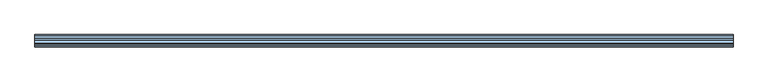
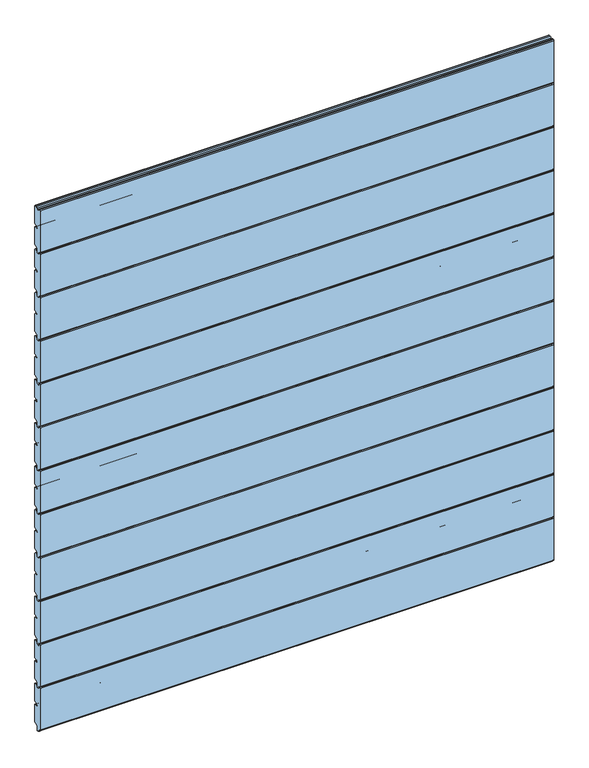
"""IFC4 building model written with IfcOpenShell, lengths in millimetres: window geometry."""

from ifc_helpers import new_model, si_unit, point, frame, frame_2d, origin, place, context, project, spatial, polyline, circle_curve, trimmed, segment, composite_curve, outline, extrude, source, transform, mapped, element, save


def window_c30f627f(model_context):
    return source(origin(), model_context, "Body", "SweptSolid", [
        extrude(outline(composite_curve([segment(trimmed(circle_curve(frame_2d((126.0069561, 2041.0059188)), 2.0068504), [point((124.0001057, 2041.0059188))], [point((126.0069561, 2043.0127692))], False, "CARTESIAN"), True, "CONTINUOUS"), segment(polyline([(126.0069561, 2043.0127692), (129.0001057, 2043.0127692)]), True, "CONTINUOUS"), segment(trimmed(circle_curve(frame_2d((129.0001057, 2041.0127692)), 2.0), [point((129.0001057, 2043.0127692))], [point((131.0001057, 2041.0127692))], False, "CARTESIAN"), True, "CONTINUOUS"), segment(polyline([(131.0001057, 2041.0127692), (131.0001057, 2035.0127692), (139.0001057, 2035.0127692), (139.0001057, 2040.0970543)]), True, "CONTINUOUS"), segment(trimmed(circle_curve(frame_2d((142.0089139, 2040.0024748)), 3.0102944), [point((139.0001057, 2040.0970543))], [point((142.0089139, 2043.0127692))], False, "CARTESIAN"), True, "CONTINUOUS"), segment(polyline([(142.0089139, 2043.0127692), (146.9999996, 2043.0127692)]), True, "CONTINUOUS"), segment(trimmed(circle_curve(frame_2d((146.9999996, 2040.0127692)), 3.0), [point((146.9999996, 2043.0127692))], [point((149.9999996, 2040.0127692))], False, "CARTESIAN"), True, "CONTINUOUS"), segment(polyline([(149.9999996, 2040.0127692), (149.9999996, 1988.3066796)]), True, "CONTINUOUS"), segment(trimmed(circle_curve(frame_2d((146.9999996, 1988.3066796)), 3.0), [point((149.9999996, 1988.3066796))], [point((147.8555837, 1985.4312708))], False, "CARTESIAN"), True, "CONTINUOUS"), segment(polyline([(147.8555837, 1985.4312708), (139.9239208, 1983.3276824)]), True, "CONTINUOUS"), segment(trimmed(circle_curve(frame_2d((140.5001156, 1981.4124802)), 2.0), [point((139.9239208, 1983.3276824))], [point((138.5001156, 1981.4124802))], True, "CARTESIAN"), True, "CONTINUOUS"), segment(polyline([(138.5001156, 1981.4124802), (138.5001158, 1980.0)]), True, "CONTINUOUS"), segment(trimmed(circle_curve(frame_2d((140.5001158, 1980.0)), 2.0), [point((138.5001158, 1980.0))], [point((140.5001158, 1978.0))], True, "CARTESIAN"), True, "CONTINUOUS"), segment(polyline([(140.5001158, 1978.0), (146.968241, 1978.0)]), True, "CONTINUOUS"), segment(trimmed(circle_curve(frame_2d((147.0018221, 1975.000188)), 3.0), [point((146.968241, 1978.0))], [point((150.0, 1975.1047318))], False, "CARTESIAN"), True, "CONTINUOUS"), segment(polyline([(150.0, 1975.1047318), (150.0, 1923.2676097)]), True, "CONTINUOUS"), segment(trimmed(circle_curve(frame_2d((147.0, 1923.2676097)), 3.0), [point((150.0, 1923.2676097))], [point((148.1977807, 1920.5170968))], False, "CARTESIAN"), True, "CONTINUOUS"), segment(polyline([(148.1977807, 1920.5170968), (140.4824676, 1918.4497849)]), True, "CONTINUOUS"), segment(trimmed(circle_curve(frame_2d((141.0001057, 1916.5179332)), 2.0), [point((140.4824676, 1918.4497849))], [point((139.0001057, 1916.5179332))], True, "CARTESIAN"), True, "CONTINUOUS"), segment(polyline([(139.0001057, 1916.5179332), (139.0001057, 1905.0127692)]), True, "CONTINUOUS"), segment(trimmed(circle_curve(frame_2d((137.0001057, 1905.0127692)), 2.0), [point((139.0001057, 1905.0127692))], [point((137.0001057, 1903.0127692))], False, "CARTESIAN"), True, "CONTINUOUS"), segment(polyline([(137.0001057, 1903.0127692), (133.0001057, 1903.0127692)]), True, "CONTINUOUS"), segment(trimmed(circle_curve(frame_2d((133.0001057, 1905.0127692)), 2.0), [point((133.0001057, 1903.0127692))], [point((131.0001057, 1905.0127692))], False, "CARTESIAN"), True, "CONTINUOUS"), segment(polyline([(131.0001057, 1905.0127692), (131.0001057, 1910.0), (126.0001057, 1910.0)]), True, "CONTINUOUS"), segment(trimmed(circle_curve(frame_2d((126.0001057, 1912.0)), 2.0), [point((126.0001057, 1910.0))], [point((124.0001057, 1912.0))], False, "CARTESIAN"), True, "CONTINUOUS"), segment(polyline([(124.0001057, 1912.0), (124.0001057, 2041.0059188)]), True, "CONTINUOUS")], self_intersect=False)), frame((-750.0, 0.0, 0.0), z_axis=(1.0, 0.0, 0.0), x_axis=(0.0, 1.0, 0.0)), (0.0, 0.0, 1.0), 1500.0),
        extrude(outline(composite_curve([segment(trimmed(circle_curve(frame_2d((126.0069561, 1907.0059188)), 2.0068504), [point((124.0001057, 1907.0059188))], [point((126.0069561, 1909.0127692))], False, "CARTESIAN"), True, "CONTINUOUS"), segment(polyline([(126.0069561, 1909.0127692), (129.0001057, 1909.0127692)]), True, "CONTINUOUS"), segment(trimmed(circle_curve(frame_2d((129.0001057, 1907.0127692)), 2.0), [point((129.0001057, 1909.0127692))], [point((131.0001057, 1907.0127692))], False, "CARTESIAN"), True, "CONTINUOUS"), segment(polyline([(131.0001057, 1907.0127692), (131.0001057, 1901.0127692), (139.0001057, 1901.0127692), (139.0001057, 1906.0970543)]), True, "CONTINUOUS"), segment(trimmed(circle_curve(frame_2d((142.0089139, 1906.0024748)), 3.0102944), [point((139.0001057, 1906.0970543))], [point((142.0089139, 1909.0127692))], False, "CARTESIAN"), True, "CONTINUOUS"), segment(polyline([(142.0089139, 1909.0127692), (146.9999996, 1909.0127692)]), True, "CONTINUOUS"), segment(trimmed(circle_curve(frame_2d((146.9999996, 1906.0127692)), 3.0), [point((146.9999996, 1909.0127692))], [point((149.9999996, 1906.0127692))], False, "CARTESIAN"), True, "CONTINUOUS"), segment(polyline([(149.9999996, 1906.0127692), (149.9999996, 1854.3066796)]), True, "CONTINUOUS"), segment(trimmed(circle_curve(frame_2d((146.9999996, 1854.3066796)), 3.0), [point((149.9999996, 1854.3066796))], [point((147.8555837, 1851.4312708))], False, "CARTESIAN"), True, "CONTINUOUS"), segment(polyline([(147.8555837, 1851.4312708), (139.9239208, 1849.3276824)]), True, "CONTINUOUS"), segment(trimmed(circle_curve(frame_2d((140.5001156, 1847.4124802)), 2.0), [point((139.9239208, 1849.3276824))], [point((138.5001156, 1847.4124802))], True, "CARTESIAN"), True, "CONTINUOUS"), segment(polyline([(138.5001156, 1847.4124802), (138.5001158, 1846.0)]), True, "CONTINUOUS"), segment(trimmed(circle_curve(frame_2d((140.5001158, 1846.0)), 2.0), [point((138.5001158, 1846.0))], [point((140.5001158, 1844.0))], True, "CARTESIAN"), True, "CONTINUOUS"), segment(polyline([(140.5001158, 1844.0), (146.968241, 1844.0)]), True, "CONTINUOUS"), segment(trimmed(circle_curve(frame_2d((147.0018221, 1841.000188)), 3.0), [point((146.968241, 1844.0))], [point((150.0, 1841.1047318))], False, "CARTESIAN"), True, "CONTINUOUS"), segment(polyline([(150.0, 1841.1047318), (150.0, 1789.2676097)]), True, "CONTINUOUS"), segment(trimmed(circle_curve(frame_2d((147.0, 1789.2676097)), 3.0), [point((150.0, 1789.2676097))], [point((148.1977807, 1786.5170968))], False, "CARTESIAN"), True, "CONTINUOUS"), segment(polyline([(148.1977807, 1786.5170968), (140.4824676, 1784.4497849)]), True, "CONTINUOUS"), segment(trimmed(circle_curve(frame_2d((141.0001057, 1782.5179332)), 2.0), [point((140.4824676, 1784.4497849))], [point((139.0001057, 1782.5179332))], True, "CARTESIAN"), True, "CONTINUOUS"), segment(polyline([(139.0001057, 1782.5179332), (139.0001057, 1771.0127692)]), True, "CONTINUOUS"), segment(trimmed(circle_curve(frame_2d((137.0001057, 1771.0127692)), 2.0), [point((139.0001057, 1771.0127692))], [point((137.0001057, 1769.0127692))], False, "CARTESIAN"), True, "CONTINUOUS"), segment(polyline([(137.0001057, 1769.0127692), (133.0001057, 1769.0127692)]), True, "CONTINUOUS"), segment(trimmed(circle_curve(frame_2d((133.0001057, 1771.0127692)), 2.0), [point((133.0001057, 1769.0127692))], [point((131.0001057, 1771.0127692))], False, "CARTESIAN"), True, "CONTINUOUS"), segment(polyline([(131.0001057, 1771.0127692), (131.0001057, 1776.0), (126.0001057, 1776.0)]), True, "CONTINUOUS"), segment(trimmed(circle_curve(frame_2d((126.0001057, 1778.0)), 2.0), [point((126.0001057, 1776.0))], [point((124.0001057, 1778.0))], False, "CARTESIAN"), True, "CONTINUOUS"), segment(polyline([(124.0001057, 1778.0), (124.0001057, 1907.0059188)]), True, "CONTINUOUS")], self_intersect=False)), frame((-750.0, 0.0, 0.0), z_axis=(1.0, 0.0, 0.0), x_axis=(0.0, 1.0, 0.0)), (0.0, 0.0, 1.0), 1500.0),
        extrude(outline(composite_curve([segment(trimmed(circle_curve(frame_2d((126.0069561, 1773.0059188)), 2.0068504), [point((124.0001057, 1773.0059188))], [point((126.0069561, 1775.0127692))], False, "CARTESIAN"), True, "CONTINUOUS"), segment(polyline([(126.0069561, 1775.0127692), (129.0001057, 1775.0127692)]), True, "CONTINUOUS"), segment(trimmed(circle_curve(frame_2d((129.0001057, 1773.0127692)), 2.0), [point((129.0001057, 1775.0127692))], [point((131.0001057, 1773.0127692))], False, "CARTESIAN"), True, "CONTINUOUS"), segment(polyline([(131.0001057, 1773.0127692), (131.0001057, 1767.0127692), (139.0001057, 1767.0127692), (139.0001057, 1772.0970543)]), True, "CONTINUOUS"), segment(trimmed(circle_curve(frame_2d((142.0089139, 1772.0024748)), 3.0102944), [point((139.0001057, 1772.0970543))], [point((142.0089139, 1775.0127692))], False, "CARTESIAN"), True, "CONTINUOUS"), segment(polyline([(142.0089139, 1775.0127692), (146.9999996, 1775.0127692)]), True, "CONTINUOUS"), segment(trimmed(circle_curve(frame_2d((146.9999996, 1772.0127692)), 3.0), [point((146.9999996, 1775.0127692))], [point((149.9999996, 1772.0127692))], False, "CARTESIAN"), True, "CONTINUOUS"), segment(polyline([(149.9999996, 1772.0127692), (149.9999996, 1720.3066796)]), True, "CONTINUOUS"), segment(trimmed(circle_curve(frame_2d((146.9999996, 1720.3066796)), 3.0), [point((149.9999996, 1720.3066796))], [point((147.8555837, 1717.4312708))], False, "CARTESIAN"), True, "CONTINUOUS"), segment(polyline([(147.8555837, 1717.4312708), (139.9239208, 1715.3276824)]), True, "CONTINUOUS"), segment(trimmed(circle_curve(frame_2d((140.5001156, 1713.4124802)), 2.0), [point((139.9239208, 1715.3276824))], [point((138.5001156, 1713.4124802))], True, "CARTESIAN"), True, "CONTINUOUS"), segment(polyline([(138.5001156, 1713.4124802), (138.5001158, 1712.0)]), True, "CONTINUOUS"), segment(trimmed(circle_curve(frame_2d((140.5001158, 1712.0)), 2.0), [point((138.5001158, 1712.0))], [point((140.5001158, 1710.0))], True, "CARTESIAN"), True, "CONTINUOUS"), segment(polyline([(140.5001158, 1710.0), (146.968241, 1710.0)]), True, "CONTINUOUS"), segment(trimmed(circle_curve(frame_2d((147.0018221, 1707.000188)), 3.0), [point((146.968241, 1710.0))], [point((150.0, 1707.1047318))], False, "CARTESIAN"), True, "CONTINUOUS"), segment(polyline([(150.0, 1707.1047318), (150.0, 1655.2676097)]), True, "CONTINUOUS"), segment(trimmed(circle_curve(frame_2d((147.0, 1655.2676097)), 3.0), [point((150.0, 1655.2676097))], [point((148.1977807, 1652.5170968))], False, "CARTESIAN"), True, "CONTINUOUS"), segment(polyline([(148.1977807, 1652.5170968), (140.4824676, 1650.4497849)]), True, "CONTINUOUS"), segment(trimmed(circle_curve(frame_2d((141.0001057, 1648.5179332)), 2.0), [point((140.4824676, 1650.4497849))], [point((139.0001057, 1648.5179332))], True, "CARTESIAN"), True, "CONTINUOUS"), segment(polyline([(139.0001057, 1648.5179332), (139.0001057, 1637.0127692)]), True, "CONTINUOUS"), segment(trimmed(circle_curve(frame_2d((137.0001057, 1637.0127692)), 2.0), [point((139.0001057, 1637.0127692))], [point((137.0001057, 1635.0127692))], False, "CARTESIAN"), True, "CONTINUOUS"), segment(polyline([(137.0001057, 1635.0127692), (133.0001057, 1635.0127692)]), True, "CONTINUOUS"), segment(trimmed(circle_curve(frame_2d((133.0001057, 1637.0127692)), 2.0), [point((133.0001057, 1635.0127692))], [point((131.0001057, 1637.0127692))], False, "CARTESIAN"), True, "CONTINUOUS"), segment(polyline([(131.0001057, 1637.0127692), (131.0001057, 1642.0), (126.0001057, 1642.0)]), True, "CONTINUOUS"), segment(trimmed(circle_curve(frame_2d((126.0001057, 1644.0)), 2.0), [point((126.0001057, 1642.0))], [point((124.0001057, 1644.0))], False, "CARTESIAN"), True, "CONTINUOUS"), segment(polyline([(124.0001057, 1644.0), (124.0001057, 1773.0059188)]), True, "CONTINUOUS")], self_intersect=False)), frame((-750.0, 0.0, 0.0), z_axis=(1.0, 0.0, 0.0), x_axis=(0.0, 1.0, 0.0)), (0.0, 0.0, 1.0), 1500.0),
        extrude(outline(composite_curve([segment(trimmed(circle_curve(frame_2d((126.0069561, 1639.0059188)), 2.0068504), [point((124.0001057, 1639.0059188))], [point((126.0069561, 1641.0127692))], False, "CARTESIAN"), True, "CONTINUOUS"), segment(polyline([(126.0069561, 1641.0127692), (129.0001057, 1641.0127692)]), True, "CONTINUOUS"), segment(trimmed(circle_curve(frame_2d((129.0001057, 1639.0127692)), 2.0), [point((129.0001057, 1641.0127692))], [point((131.0001057, 1639.0127692))], False, "CARTESIAN"), True, "CONTINUOUS"), segment(polyline([(131.0001057, 1639.0127692), (131.0001057, 1633.0127692), (139.0001057, 1633.0127692), (139.0001057, 1638.0970543)]), True, "CONTINUOUS"), segment(trimmed(circle_curve(frame_2d((142.0089139, 1638.0024748)), 3.0102944), [point((139.0001057, 1638.0970543))], [point((142.0089139, 1641.0127692))], False, "CARTESIAN"), True, "CONTINUOUS"), segment(polyline([(142.0089139, 1641.0127692), (146.9999996, 1641.0127692)]), True, "CONTINUOUS"), segment(trimmed(circle_curve(frame_2d((146.9999996, 1638.0127692)), 3.0), [point((146.9999996, 1641.0127692))], [point((149.9999996, 1638.0127692))], False, "CARTESIAN"), True, "CONTINUOUS"), segment(polyline([(149.9999996, 1638.0127692), (149.9999996, 1586.3066796)]), True, "CONTINUOUS"), segment(trimmed(circle_curve(frame_2d((146.9999996, 1586.3066796)), 3.0), [point((149.9999996, 1586.3066796))], [point((147.8555837, 1583.4312708))], False, "CARTESIAN"), True, "CONTINUOUS"), segment(polyline([(147.8555837, 1583.4312708), (139.9239208, 1581.3276824)]), True, "CONTINUOUS"), segment(trimmed(circle_curve(frame_2d((140.5001156, 1579.4124802)), 2.0), [point((139.9239208, 1581.3276824))], [point((138.5001156, 1579.4124802))], True, "CARTESIAN"), True, "CONTINUOUS"), segment(polyline([(138.5001156, 1579.4124802), (138.5001158, 1578.0)]), True, "CONTINUOUS"), segment(trimmed(circle_curve(frame_2d((140.5001158, 1578.0)), 2.0), [point((138.5001158, 1578.0))], [point((140.5001158, 1576.0))], True, "CARTESIAN"), True, "CONTINUOUS"), segment(polyline([(140.5001158, 1576.0), (146.968241, 1576.0)]), True, "CONTINUOUS"), segment(trimmed(circle_curve(frame_2d((147.0018221, 1573.000188)), 3.0), [point((146.968241, 1576.0))], [point((150.0, 1573.1047318))], False, "CARTESIAN"), True, "CONTINUOUS"), segment(polyline([(150.0, 1573.1047318), (150.0, 1521.2676097)]), True, "CONTINUOUS"), segment(trimmed(circle_curve(frame_2d((147.0, 1521.2676097)), 3.0), [point((150.0, 1521.2676097))], [point((148.1977807, 1518.5170968))], False, "CARTESIAN"), True, "CONTINUOUS"), segment(polyline([(148.1977807, 1518.5170968), (140.4824676, 1516.4497849)]), True, "CONTINUOUS"), segment(trimmed(circle_curve(frame_2d((141.0001057, 1514.5179332)), 2.0), [point((140.4824676, 1516.4497849))], [point((139.0001057, 1514.5179332))], True, "CARTESIAN"), True, "CONTINUOUS"), segment(polyline([(139.0001057, 1514.5179332), (139.0001057, 1503.0127692)]), True, "CONTINUOUS"), segment(trimmed(circle_curve(frame_2d((137.0001057, 1503.0127692)), 2.0), [point((139.0001057, 1503.0127692))], [point((137.0001057, 1501.0127692))], False, "CARTESIAN"), True, "CONTINUOUS"), segment(polyline([(137.0001057, 1501.0127692), (133.0001057, 1501.0127692)]), True, "CONTINUOUS"), segment(trimmed(circle_curve(frame_2d((133.0001057, 1503.0127692)), 2.0), [point((133.0001057, 1501.0127692))], [point((131.0001057, 1503.0127692))], False, "CARTESIAN"), True, "CONTINUOUS"), segment(polyline([(131.0001057, 1503.0127692), (131.0001057, 1508.0), (126.0001057, 1508.0)]), True, "CONTINUOUS"), segment(trimmed(circle_curve(frame_2d((126.0001057, 1510.0)), 2.0), [point((126.0001057, 1508.0))], [point((124.0001057, 1510.0))], False, "CARTESIAN"), True, "CONTINUOUS"), segment(polyline([(124.0001057, 1510.0), (124.0001057, 1639.0059188)]), True, "CONTINUOUS")], self_intersect=False)), frame((-750.0, 0.0, 0.0), z_axis=(1.0, 0.0, 0.0), x_axis=(0.0, 1.0, 0.0)), (0.0, 0.0, 1.0), 1500.0),
        extrude(outline(composite_curve([segment(trimmed(circle_curve(frame_2d((126.0069561, 1505.0059188)), 2.0068504), [point((124.0001057, 1505.0059188))], [point((126.0069561, 1507.0127692))], False, "CARTESIAN"), True, "CONTINUOUS"), segment(polyline([(126.0069561, 1507.0127692), (129.0001057, 1507.0127692)]), True, "CONTINUOUS"), segment(trimmed(circle_curve(frame_2d((129.0001057, 1505.0127692)), 2.0), [point((129.0001057, 1507.0127692))], [point((131.0001057, 1505.0127692))], False, "CARTESIAN"), True, "CONTINUOUS"), segment(polyline([(131.0001057, 1505.0127692), (131.0001057, 1499.0127692), (139.0001057, 1499.0127692), (139.0001057, 1504.0970543)]), True, "CONTINUOUS"), segment(trimmed(circle_curve(frame_2d((142.0089139, 1504.0024748)), 3.0102944), [point((139.0001057, 1504.0970543))], [point((142.0089139, 1507.0127692))], False, "CARTESIAN"), True, "CONTINUOUS"), segment(polyline([(142.0089139, 1507.0127692), (146.9999996, 1507.0127692)]), True, "CONTINUOUS"), segment(trimmed(circle_curve(frame_2d((146.9999996, 1504.0127692)), 3.0), [point((146.9999996, 1507.0127692))], [point((149.9999996, 1504.0127692))], False, "CARTESIAN"), True, "CONTINUOUS"), segment(polyline([(149.9999996, 1504.0127692), (149.9999996, 1452.3066796)]), True, "CONTINUOUS"), segment(trimmed(circle_curve(frame_2d((146.9999996, 1452.3066796)), 3.0), [point((149.9999996, 1452.3066796))], [point((147.8555837, 1449.4312708))], False, "CARTESIAN"), True, "CONTINUOUS"), segment(polyline([(147.8555837, 1449.4312708), (139.9239208, 1447.3276824)]), True, "CONTINUOUS"), segment(trimmed(circle_curve(frame_2d((140.5001156, 1445.4124802)), 2.0), [point((139.9239208, 1447.3276824))], [point((138.5001156, 1445.4124802))], True, "CARTESIAN"), True, "CONTINUOUS"), segment(polyline([(138.5001156, 1445.4124802), (138.5001158, 1444.0)]), True, "CONTINUOUS"), segment(trimmed(circle_curve(frame_2d((140.5001158, 1444.0)), 2.0), [point((138.5001158, 1444.0))], [point((140.5001158, 1442.0))], True, "CARTESIAN"), True, "CONTINUOUS"), segment(polyline([(140.5001158, 1442.0), (146.968241, 1442.0)]), True, "CONTINUOUS"), segment(trimmed(circle_curve(frame_2d((147.0018221, 1439.000188)), 3.0), [point((146.968241, 1442.0))], [point((150.0, 1439.1047318))], False, "CARTESIAN"), True, "CONTINUOUS"), segment(polyline([(150.0, 1439.1047318), (150.0, 1387.2676097)]), True, "CONTINUOUS"), segment(trimmed(circle_curve(frame_2d((147.0, 1387.2676097)), 3.0), [point((150.0, 1387.2676097))], [point((148.1977807, 1384.5170968))], False, "CARTESIAN"), True, "CONTINUOUS"), segment(polyline([(148.1977807, 1384.5170968), (140.4824676, 1382.4497849)]), True, "CONTINUOUS"), segment(trimmed(circle_curve(frame_2d((141.0001057, 1380.5179332)), 2.0), [point((140.4824676, 1382.4497849))], [point((139.0001057, 1380.5179332))], True, "CARTESIAN"), True, "CONTINUOUS"), segment(polyline([(139.0001057, 1380.5179332), (139.0001057, 1369.0127692)]), True, "CONTINUOUS"), segment(trimmed(circle_curve(frame_2d((137.0001057, 1369.0127692)), 2.0), [point((139.0001057, 1369.0127692))], [point((137.0001057, 1367.0127692))], False, "CARTESIAN"), True, "CONTINUOUS"), segment(polyline([(137.0001057, 1367.0127692), (133.0001057, 1367.0127692)]), True, "CONTINUOUS"), segment(trimmed(circle_curve(frame_2d((133.0001057, 1369.0127692)), 2.0), [point((133.0001057, 1367.0127692))], [point((131.0001057, 1369.0127692))], False, "CARTESIAN"), True, "CONTINUOUS"), segment(polyline([(131.0001057, 1369.0127692), (131.0001057, 1374.0), (126.0001057, 1374.0)]), True, "CONTINUOUS"), segment(trimmed(circle_curve(frame_2d((126.0001057, 1376.0)), 2.0), [point((126.0001057, 1374.0))], [point((124.0001057, 1376.0))], False, "CARTESIAN"), True, "CONTINUOUS"), segment(polyline([(124.0001057, 1376.0), (124.0001057, 1505.0059188)]), True, "CONTINUOUS")], self_intersect=False)), frame((-750.0, 0.0, 0.0), z_axis=(1.0, 0.0, 0.0), x_axis=(0.0, 1.0, 0.0)), (0.0, 0.0, 1.0), 1500.0),
        extrude(outline(composite_curve([segment(trimmed(circle_curve(frame_2d((126.0069561, 1371.0059188)), 2.0068504), [point((124.0001057, 1371.0059188))], [point((126.0069561, 1373.0127692))], False, "CARTESIAN"), True, "CONTINUOUS"), segment(polyline([(126.0069561, 1373.0127692), (129.0001057, 1373.0127692)]), True, "CONTINUOUS"), segment(trimmed(circle_curve(frame_2d((129.0001057, 1371.0127692)), 2.0), [point((129.0001057, 1373.0127692))], [point((131.0001057, 1371.0127692))], False, "CARTESIAN"), True, "CONTINUOUS"), segment(polyline([(131.0001057, 1371.0127692), (131.0001057, 1365.0127692), (139.0001057, 1365.0127692), (139.0001057, 1370.0970543)]), True, "CONTINUOUS"), segment(trimmed(circle_curve(frame_2d((142.0089139, 1370.0024748)), 3.0102944), [point((139.0001057, 1370.0970543))], [point((142.0089139, 1373.0127692))], False, "CARTESIAN"), True, "CONTINUOUS"), segment(polyline([(142.0089139, 1373.0127692), (146.9999996, 1373.0127692)]), True, "CONTINUOUS"), segment(trimmed(circle_curve(frame_2d((146.9999996, 1370.0127692)), 3.0), [point((146.9999996, 1373.0127692))], [point((149.9999996, 1370.0127692))], False, "CARTESIAN"), True, "CONTINUOUS"), segment(polyline([(149.9999996, 1370.0127692), (149.9999996, 1318.3066796)]), True, "CONTINUOUS"), segment(trimmed(circle_curve(frame_2d((146.9999996, 1318.3066796)), 3.0), [point((149.9999996, 1318.3066796))], [point((147.8555837, 1315.4312708))], False, "CARTESIAN"), True, "CONTINUOUS"), segment(polyline([(147.8555837, 1315.4312708), (139.9239208, 1313.3276824)]), True, "CONTINUOUS"), segment(trimmed(circle_curve(frame_2d((140.5001156, 1311.4124802)), 2.0), [point((139.9239208, 1313.3276824))], [point((138.5001156, 1311.4124802))], True, "CARTESIAN"), True, "CONTINUOUS"), segment(polyline([(138.5001156, 1311.4124802), (138.5001158, 1310.0)]), True, "CONTINUOUS"), segment(trimmed(circle_curve(frame_2d((140.5001158, 1310.0)), 2.0), [point((138.5001158, 1310.0))], [point((140.5001158, 1308.0))], True, "CARTESIAN"), True, "CONTINUOUS"), segment(polyline([(140.5001158, 1308.0), (146.968241, 1308.0)]), True, "CONTINUOUS"), segment(trimmed(circle_curve(frame_2d((147.0018221, 1305.000188)), 3.0), [point((146.968241, 1308.0))], [point((150.0, 1305.1047318))], False, "CARTESIAN"), True, "CONTINUOUS"), segment(polyline([(150.0, 1305.1047318), (150.0, 1253.2676097)]), True, "CONTINUOUS"), segment(trimmed(circle_curve(frame_2d((147.0, 1253.2676097)), 3.0), [point((150.0, 1253.2676097))], [point((148.1977807, 1250.5170968))], False, "CARTESIAN"), True, "CONTINUOUS"), segment(polyline([(148.1977807, 1250.5170968), (140.4824676, 1248.4497849)]), True, "CONTINUOUS"), segment(trimmed(circle_curve(frame_2d((141.0001057, 1246.5179332)), 2.0), [point((140.4824676, 1248.4497849))], [point((139.0001057, 1246.5179332))], True, "CARTESIAN"), True, "CONTINUOUS"), segment(polyline([(139.0001057, 1246.5179332), (139.0001057, 1235.0127692)]), True, "CONTINUOUS"), segment(trimmed(circle_curve(frame_2d((137.0001057, 1235.0127692)), 2.0), [point((139.0001057, 1235.0127692))], [point((137.0001057, 1233.0127692))], False, "CARTESIAN"), True, "CONTINUOUS"), segment(polyline([(137.0001057, 1233.0127692), (133.0001057, 1233.0127692)]), True, "CONTINUOUS"), segment(trimmed(circle_curve(frame_2d((133.0001057, 1235.0127692)), 2.0), [point((133.0001057, 1233.0127692))], [point((131.0001057, 1235.0127692))], False, "CARTESIAN"), True, "CONTINUOUS"), segment(polyline([(131.0001057, 1235.0127692), (131.0001057, 1240.0), (126.0001057, 1240.0)]), True, "CONTINUOUS"), segment(trimmed(circle_curve(frame_2d((126.0001057, 1242.0)), 2.0), [point((126.0001057, 1240.0))], [point((124.0001057, 1242.0))], False, "CARTESIAN"), True, "CONTINUOUS"), segment(polyline([(124.0001057, 1242.0), (124.0001057, 1371.0059188)]), True, "CONTINUOUS")], self_intersect=False)), frame((-750.0, 0.0, 0.0), z_axis=(1.0, 0.0, 0.0), x_axis=(0.0, 1.0, 0.0)), (0.0, 0.0, 1.0), 1500.0),
        extrude(outline(composite_curve([segment(trimmed(circle_curve(frame_2d((126.0069561, 1237.0059188)), 2.0068504), [point((124.0001057, 1237.0059188))], [point((126.0069561, 1239.0127692))], False, "CARTESIAN"), True, "CONTINUOUS"), segment(polyline([(126.0069561, 1239.0127692), (129.0001057, 1239.0127692)]), True, "CONTINUOUS"), segment(trimmed(circle_curve(frame_2d((129.0001057, 1237.0127692)), 2.0), [point((129.0001057, 1239.0127692))], [point((131.0001057, 1237.0127692))], False, "CARTESIAN"), True, "CONTINUOUS"), segment(polyline([(131.0001057, 1237.0127692), (131.0001057, 1231.0127692), (139.0001057, 1231.0127692), (139.0001057, 1236.0970543)]), True, "CONTINUOUS"), segment(trimmed(circle_curve(frame_2d((142.0089139, 1236.0024748)), 3.0102944), [point((139.0001057, 1236.0970543))], [point((142.0089139, 1239.0127692))], False, "CARTESIAN"), True, "CONTINUOUS"), segment(polyline([(142.0089139, 1239.0127692), (146.9999996, 1239.0127692)]), True, "CONTINUOUS"), segment(trimmed(circle_curve(frame_2d((146.9999996, 1236.0127692)), 3.0), [point((146.9999996, 1239.0127692))], [point((149.9999996, 1236.0127692))], False, "CARTESIAN"), True, "CONTINUOUS"), segment(polyline([(149.9999996, 1236.0127692), (149.9999996, 1184.3066796)]), True, "CONTINUOUS"), segment(trimmed(circle_curve(frame_2d((146.9999996, 1184.3066796)), 3.0), [point((149.9999996, 1184.3066796))], [point((147.8555837, 1181.4312708))], False, "CARTESIAN"), True, "CONTINUOUS"), segment(polyline([(147.8555837, 1181.4312708), (139.9239208, 1179.3276824)]), True, "CONTINUOUS"), segment(trimmed(circle_curve(frame_2d((140.5001156, 1177.4124802)), 2.0), [point((139.9239208, 1179.3276824))], [point((138.5001156, 1177.4124802))], True, "CARTESIAN"), True, "CONTINUOUS"), segment(polyline([(138.5001156, 1177.4124802), (138.5001158, 1176.0)]), True, "CONTINUOUS"), segment(trimmed(circle_curve(frame_2d((140.5001158, 1176.0)), 2.0), [point((138.5001158, 1176.0))], [point((140.5001158, 1174.0))], True, "CARTESIAN"), True, "CONTINUOUS"), segment(polyline([(140.5001158, 1174.0), (146.968241, 1174.0)]), True, "CONTINUOUS"), segment(trimmed(circle_curve(frame_2d((147.0018221, 1171.000188)), 3.0), [point((146.968241, 1174.0))], [point((150.0, 1171.1047318))], False, "CARTESIAN"), True, "CONTINUOUS"), segment(polyline([(150.0, 1171.1047318), (150.0, 1119.2676097)]), True, "CONTINUOUS"), segment(trimmed(circle_curve(frame_2d((147.0, 1119.2676097)), 3.0), [point((150.0, 1119.2676097))], [point((148.1977807, 1116.5170968))], False, "CARTESIAN"), True, "CONTINUOUS"), segment(polyline([(148.1977807, 1116.5170968), (140.4824676, 1114.4497849)]), True, "CONTINUOUS"), segment(trimmed(circle_curve(frame_2d((141.0001057, 1112.5179332)), 2.0), [point((140.4824676, 1114.4497849))], [point((139.0001057, 1112.5179332))], True, "CARTESIAN"), True, "CONTINUOUS"), segment(polyline([(139.0001057, 1112.5179332), (139.0001057, 1101.0127692)]), True, "CONTINUOUS"), segment(trimmed(circle_curve(frame_2d((137.0001057, 1101.0127692)), 2.0), [point((139.0001057, 1101.0127692))], [point((137.0001057, 1099.0127692))], False, "CARTESIAN"), True, "CONTINUOUS"), segment(polyline([(137.0001057, 1099.0127692), (133.0001057, 1099.0127692)]), True, "CONTINUOUS"), segment(trimmed(circle_curve(frame_2d((133.0001057, 1101.0127692)), 2.0), [point((133.0001057, 1099.0127692))], [point((131.0001057, 1101.0127692))], False, "CARTESIAN"), True, "CONTINUOUS"), segment(polyline([(131.0001057, 1101.0127692), (131.0001057, 1106.0), (126.0001057, 1106.0)]), True, "CONTINUOUS"), segment(trimmed(circle_curve(frame_2d((126.0001057, 1108.0)), 2.0), [point((126.0001057, 1106.0))], [point((124.0001057, 1108.0))], False, "CARTESIAN"), True, "CONTINUOUS"), segment(polyline([(124.0001057, 1108.0), (124.0001057, 1237.0059188)]), True, "CONTINUOUS")], self_intersect=False)), frame((-750.0, 0.0, 0.0), z_axis=(1.0, 0.0, 0.0), x_axis=(0.0, 1.0, 0.0)), (0.0, 0.0, 1.0), 1500.0),
        extrude(outline(composite_curve([segment(trimmed(circle_curve(frame_2d((126.0069561, 1103.0059188)), 2.0068504), [point((124.0001057, 1103.0059188))], [point((126.0069561, 1105.0127692))], False, "CARTESIAN"), True, "CONTINUOUS"), segment(polyline([(126.0069561, 1105.0127692), (129.0001057, 1105.0127692)]), True, "CONTINUOUS"), segment(trimmed(circle_curve(frame_2d((129.0001057, 1103.0127692)), 2.0), [point((129.0001057, 1105.0127692))], [point((131.0001057, 1103.0127692))], False, "CARTESIAN"), True, "CONTINUOUS"), segment(polyline([(131.0001057, 1103.0127692), (131.0001057, 1097.0127692), (139.0001057, 1097.0127692), (139.0001057, 1102.0970543)]), True, "CONTINUOUS"), segment(trimmed(circle_curve(frame_2d((142.0089139, 1102.0024748)), 3.0102944), [point((139.0001057, 1102.0970543))], [point((142.0089139, 1105.0127692))], False, "CARTESIAN"), True, "CONTINUOUS"), segment(polyline([(142.0089139, 1105.0127692), (146.9999996, 1105.0127692)]), True, "CONTINUOUS"), segment(trimmed(circle_curve(frame_2d((146.9999996, 1102.0127692)), 3.0), [point((146.9999996, 1105.0127692))], [point((149.9999996, 1102.0127692))], False, "CARTESIAN"), True, "CONTINUOUS"), segment(polyline([(149.9999996, 1102.0127692), (149.9999996, 1050.3066796)]), True, "CONTINUOUS"), segment(trimmed(circle_curve(frame_2d((146.9999996, 1050.3066796)), 3.0), [point((149.9999996, 1050.3066796))], [point((147.8555837, 1047.4312708))], False, "CARTESIAN"), True, "CONTINUOUS"), segment(polyline([(147.8555837, 1047.4312708), (139.9239208, 1045.3276824)]), True, "CONTINUOUS"), segment(trimmed(circle_curve(frame_2d((140.5001156, 1043.4124802)), 2.0), [point((139.9239208, 1045.3276824))], [point((138.5001156, 1043.4124802))], True, "CARTESIAN"), True, "CONTINUOUS"), segment(polyline([(138.5001156, 1043.4124802), (138.5001158, 1042.0)]), True, "CONTINUOUS"), segment(trimmed(circle_curve(frame_2d((140.5001158, 1042.0)), 2.0), [point((138.5001158, 1042.0))], [point((140.5001158, 1040.0))], True, "CARTESIAN"), True, "CONTINUOUS"), segment(polyline([(140.5001158, 1040.0), (146.968241, 1040.0)]), True, "CONTINUOUS"), segment(trimmed(circle_curve(frame_2d((147.0018221, 1037.000188)), 3.0), [point((146.968241, 1040.0))], [point((150.0, 1037.1047318))], False, "CARTESIAN"), True, "CONTINUOUS"), segment(polyline([(150.0, 1037.1047318), (150.0, 985.2676097)]), True, "CONTINUOUS"), segment(trimmed(circle_curve(frame_2d((147.0, 985.2676097)), 3.0), [point((150.0, 985.2676097))], [point((148.1977807, 982.5170968))], False, "CARTESIAN"), True, "CONTINUOUS"), segment(polyline([(148.1977807, 982.5170968), (140.4824676, 980.4497849)]), True, "CONTINUOUS"), segment(trimmed(circle_curve(frame_2d((141.0001057, 978.5179332)), 2.0), [point((140.4824676, 980.4497849))], [point((139.0001057, 978.5179332))], True, "CARTESIAN"), True, "CONTINUOUS"), segment(polyline([(139.0001057, 978.5179332), (139.0001057, 967.0127692)]), True, "CONTINUOUS"), segment(trimmed(circle_curve(frame_2d((137.0001057, 967.0127692)), 2.0), [point((139.0001057, 967.0127692))], [point((137.0001057, 965.0127692))], False, "CARTESIAN"), True, "CONTINUOUS"), segment(polyline([(137.0001057, 965.0127692), (133.0001057, 965.0127692)]), True, "CONTINUOUS"), segment(trimmed(circle_curve(frame_2d((133.0001057, 967.0127692)), 2.0), [point((133.0001057, 965.0127692))], [point((131.0001057, 967.0127692))], False, "CARTESIAN"), True, "CONTINUOUS"), segment(polyline([(131.0001057, 967.0127692), (131.0001057, 972.0), (126.0001057, 972.0)]), True, "CONTINUOUS"), segment(trimmed(circle_curve(frame_2d((126.0001057, 974.0)), 2.0), [point((126.0001057, 972.0))], [point((124.0001057, 974.0))], False, "CARTESIAN"), True, "CONTINUOUS"), segment(polyline([(124.0001057, 974.0), (124.0001057, 1103.0059188)]), True, "CONTINUOUS")], self_intersect=False)), frame((-750.0, 0.0, 0.0), z_axis=(1.0, 0.0, 0.0), x_axis=(0.0, 1.0, 0.0)), (0.0, 0.0, 1.0), 1500.0),
        extrude(outline(composite_curve([segment(trimmed(circle_curve(frame_2d((126.0069561, 969.0059188)), 2.0068504), [point((124.0001057, 969.0059188))], [point((126.0069561, 971.0127692))], False, "CARTESIAN"), True, "CONTINUOUS"), segment(polyline([(126.0069561, 971.0127692), (129.0001057, 971.0127692)]), True, "CONTINUOUS"), segment(trimmed(circle_curve(frame_2d((129.0001057, 969.0127692)), 2.0), [point((129.0001057, 971.0127692))], [point((131.0001057, 969.0127692))], False, "CARTESIAN"), True, "CONTINUOUS"), segment(polyline([(131.0001057, 969.0127692), (131.0001057, 963.0127692), (139.0001057, 963.0127692), (139.0001057, 968.0970543)]), True, "CONTINUOUS"), segment(trimmed(circle_curve(frame_2d((142.0089139, 968.0024748)), 3.0102944), [point((139.0001057, 968.0970543))], [point((142.0089139, 971.0127692))], False, "CARTESIAN"), True, "CONTINUOUS"), segment(polyline([(142.0089139, 971.0127692), (146.9999996, 971.0127692)]), True, "CONTINUOUS"), segment(trimmed(circle_curve(frame_2d((146.9999996, 968.0127692)), 3.0), [point((146.9999996, 971.0127692))], [point((149.9999996, 968.0127692))], False, "CARTESIAN"), True, "CONTINUOUS"), segment(polyline([(149.9999996, 968.0127692), (149.9999996, 916.3066796)]), True, "CONTINUOUS"), segment(trimmed(circle_curve(frame_2d((146.9999996, 916.3066796)), 3.0), [point((149.9999996, 916.3066796))], [point((147.8555837, 913.4312708))], False, "CARTESIAN"), True, "CONTINUOUS"), segment(polyline([(147.8555837, 913.4312708), (139.9239208, 911.3276824)]), True, "CONTINUOUS"), segment(trimmed(circle_curve(frame_2d((140.5001156, 909.4124802)), 2.0), [point((139.9239208, 911.3276824))], [point((138.5001156, 909.4124802))], True, "CARTESIAN"), True, "CONTINUOUS"), segment(polyline([(138.5001156, 909.4124802), (138.5001158, 908.0)]), True, "CONTINUOUS"), segment(trimmed(circle_curve(frame_2d((140.5001158, 908.0)), 2.0), [point((138.5001158, 908.0))], [point((140.5001158, 906.0))], True, "CARTESIAN"), True, "CONTINUOUS"), segment(polyline([(140.5001158, 906.0), (146.968241, 906.0)]), True, "CONTINUOUS"), segment(trimmed(circle_curve(frame_2d((147.0018221, 903.000188)), 3.0), [point((146.968241, 906.0))], [point((150.0, 903.1047318))], False, "CARTESIAN"), True, "CONTINUOUS"), segment(polyline([(150.0, 903.1047318), (150.0, 851.2676097)]), True, "CONTINUOUS"), segment(trimmed(circle_curve(frame_2d((147.0, 851.2676097)), 3.0), [point((150.0, 851.2676097))], [point((148.1977807, 848.5170968))], False, "CARTESIAN"), True, "CONTINUOUS"), segment(polyline([(148.1977807, 848.5170968), (140.4824676, 846.4497849)]), True, "CONTINUOUS"), segment(trimmed(circle_curve(frame_2d((141.0001057, 844.5179332)), 2.0), [point((140.4824676, 846.4497849))], [point((139.0001057, 844.5179332))], True, "CARTESIAN"), True, "CONTINUOUS"), segment(polyline([(139.0001057, 844.5179332), (139.0001057, 833.0127692)]), True, "CONTINUOUS"), segment(trimmed(circle_curve(frame_2d((137.0001057, 833.0127692)), 2.0), [point((139.0001057, 833.0127692))], [point((137.0001057, 831.0127692))], False, "CARTESIAN"), True, "CONTINUOUS"), segment(polyline([(137.0001057, 831.0127692), (133.0001057, 831.0127692)]), True, "CONTINUOUS"), segment(trimmed(circle_curve(frame_2d((133.0001057, 833.0127692)), 2.0), [point((133.0001057, 831.0127692))], [point((131.0001057, 833.0127692))], False, "CARTESIAN"), True, "CONTINUOUS"), segment(polyline([(131.0001057, 833.0127692), (131.0001057, 838.0), (126.0001057, 838.0)]), True, "CONTINUOUS"), segment(trimmed(circle_curve(frame_2d((126.0001057, 840.0)), 2.0), [point((126.0001057, 838.0))], [point((124.0001057, 840.0))], False, "CARTESIAN"), True, "CONTINUOUS"), segment(polyline([(124.0001057, 840.0), (124.0001057, 969.0059188)]), True, "CONTINUOUS")], self_intersect=False)), frame((-750.0, 0.0, 0.0), z_axis=(1.0, 0.0, 0.0), x_axis=(0.0, 1.0, 0.0)), (0.0, 0.0, 1.0), 1500.0),
        extrude(outline(composite_curve([segment(trimmed(circle_curve(frame_2d((126.0069561, 835.0059188)), 2.0068504), [point((124.0001057, 835.0059188))], [point((126.0069561, 837.0127692))], False, "CARTESIAN"), True, "CONTINUOUS"), segment(polyline([(126.0069561, 837.0127692), (129.0001057, 837.0127692)]), True, "CONTINUOUS"), segment(trimmed(circle_curve(frame_2d((129.0001057, 835.0127692)), 2.0), [point((129.0001057, 837.0127692))], [point((131.0001057, 835.0127692))], False, "CARTESIAN"), True, "CONTINUOUS"), segment(polyline([(131.0001057, 835.0127692), (131.0001057, 829.0127692), (139.0001057, 829.0127692), (139.0001057, 834.0970543)]), True, "CONTINUOUS"), segment(trimmed(circle_curve(frame_2d((142.0089139, 834.0024748)), 3.0102944), [point((139.0001057, 834.0970543))], [point((142.0089139, 837.0127692))], False, "CARTESIAN"), True, "CONTINUOUS"), segment(polyline([(142.0089139, 837.0127692), (146.9999996, 837.0127692)]), True, "CONTINUOUS"), segment(trimmed(circle_curve(frame_2d((146.9999996, 834.0127692)), 3.0), [point((146.9999996, 837.0127692))], [point((149.9999996, 834.0127692))], False, "CARTESIAN"), True, "CONTINUOUS"), segment(polyline([(149.9999996, 834.0127692), (149.9999996, 782.3066796)]), True, "CONTINUOUS"), segment(trimmed(circle_curve(frame_2d((146.9999996, 782.3066796)), 3.0), [point((149.9999996, 782.3066796))], [point((147.8555837, 779.4312708))], False, "CARTESIAN"), True, "CONTINUOUS"), segment(polyline([(147.8555837, 779.4312708), (139.9239208, 777.3276824)]), True, "CONTINUOUS"), segment(trimmed(circle_curve(frame_2d((140.5001156, 775.4124802)), 2.0), [point((139.9239208, 777.3276824))], [point((138.5001156, 775.4124802))], True, "CARTESIAN"), True, "CONTINUOUS"), segment(polyline([(138.5001156, 775.4124802), (138.5001158, 774.0)]), True, "CONTINUOUS"), segment(trimmed(circle_curve(frame_2d((140.5001158, 774.0)), 2.0), [point((138.5001158, 774.0))], [point((140.5001158, 772.0))], True, "CARTESIAN"), True, "CONTINUOUS"), segment(polyline([(140.5001158, 772.0), (146.968241, 772.0)]), True, "CONTINUOUS"), segment(trimmed(circle_curve(frame_2d((147.0018221, 769.000188)), 3.0), [point((146.968241, 772.0))], [point((150.0, 769.1047318))], False, "CARTESIAN"), True, "CONTINUOUS"), segment(polyline([(150.0, 769.1047318), (150.0, 717.2676097)]), True, "CONTINUOUS"), segment(trimmed(circle_curve(frame_2d((147.0, 717.2676097)), 3.0), [point((150.0, 717.2676097))], [point((148.1977807, 714.5170968))], False, "CARTESIAN"), True, "CONTINUOUS"), segment(polyline([(148.1977807, 714.5170968), (140.4824676, 712.4497849)]), True, "CONTINUOUS"), segment(trimmed(circle_curve(frame_2d((141.0001057, 710.5179332)), 2.0), [point((140.4824676, 712.4497849))], [point((139.0001057, 710.5179332))], True, "CARTESIAN"), True, "CONTINUOUS"), segment(polyline([(139.0001057, 710.5179332), (139.0001057, 699.0127692)]), True, "CONTINUOUS"), segment(trimmed(circle_curve(frame_2d((137.0001057, 699.0127692)), 2.0), [point((139.0001057, 699.0127692))], [point((137.0001057, 697.0127692))], False, "CARTESIAN"), True, "CONTINUOUS"), segment(polyline([(137.0001057, 697.0127692), (133.0001057, 697.0127692)]), True, "CONTINUOUS"), segment(trimmed(circle_curve(frame_2d((133.0001057, 699.0127692)), 2.0), [point((133.0001057, 697.0127692))], [point((131.0001057, 699.0127692))], False, "CARTESIAN"), True, "CONTINUOUS"), segment(polyline([(131.0001057, 699.0127692), (131.0001057, 704.0), (126.0001057, 704.0)]), True, "CONTINUOUS"), segment(trimmed(circle_curve(frame_2d((126.0001057, 706.0)), 2.0), [point((126.0001057, 704.0))], [point((124.0001057, 706.0))], False, "CARTESIAN"), True, "CONTINUOUS"), segment(polyline([(124.0001057, 706.0), (124.0001057, 835.0059188)]), True, "CONTINUOUS")], self_intersect=False)), frame((-750.0, 0.0, 0.0), z_axis=(1.0, 0.0, 0.0), x_axis=(0.0, 1.0, 0.0)), (0.0, 0.0, 1.0), 1500.0),
        extrude(outline(composite_curve([segment(trimmed(circle_curve(frame_2d((126.0069561, 701.0059188)), 2.0068504), [point((124.0001057, 701.0059188))], [point((126.0069561, 703.0127692))], False, "CARTESIAN"), True, "CONTINUOUS"), segment(polyline([(126.0069561, 703.0127692), (129.0001057, 703.0127692)]), True, "CONTINUOUS"), segment(trimmed(circle_curve(frame_2d((129.0001057, 701.0127692)), 2.0), [point((129.0001057, 703.0127692))], [point((131.0001057, 701.0127692))], False, "CARTESIAN"), True, "CONTINUOUS"), segment(polyline([(131.0001057, 701.0127692), (131.0001057, 695.0127692), (139.0001057, 695.0127692), (139.0001057, 700.0970543)]), True, "CONTINUOUS"), segment(trimmed(circle_curve(frame_2d((142.0089139, 700.0024748)), 3.0102944), [point((139.0001057, 700.0970543))], [point((142.0089139, 703.0127692))], False, "CARTESIAN"), True, "CONTINUOUS"), segment(polyline([(142.0089139, 703.0127692), (146.9999996, 703.0127692)]), True, "CONTINUOUS"), segment(trimmed(circle_curve(frame_2d((146.9999996, 700.0127692)), 3.0), [point((146.9999996, 703.0127692))], [point((149.9999996, 700.0127692))], False, "CARTESIAN"), True, "CONTINUOUS"), segment(polyline([(149.9999996, 700.0127692), (149.9999996, 648.3066796)]), True, "CONTINUOUS"), segment(trimmed(circle_curve(frame_2d((146.9999996, 648.3066796)), 3.0), [point((149.9999996, 648.3066796))], [point((147.8555837, 645.4312708))], False, "CARTESIAN"), True, "CONTINUOUS"), segment(polyline([(147.8555837, 645.4312708), (139.9239208, 643.3276824)]), True, "CONTINUOUS"), segment(trimmed(circle_curve(frame_2d((140.5001156, 641.4124802)), 2.0), [point((139.9239208, 643.3276824))], [point((138.5001156, 641.4124802))], True, "CARTESIAN"), True, "CONTINUOUS"), segment(polyline([(138.5001156, 641.4124802), (138.5001158, 640.0)]), True, "CONTINUOUS"), segment(trimmed(circle_curve(frame_2d((140.5001158, 640.0)), 2.0), [point((138.5001158, 640.0))], [point((140.5001158, 638.0))], True, "CARTESIAN"), True, "CONTINUOUS"), segment(polyline([(140.5001158, 638.0), (146.968241, 638.0)]), True, "CONTINUOUS"), segment(trimmed(circle_curve(frame_2d((147.0018221, 635.000188)), 3.0), [point((146.968241, 638.0))], [point((150.0, 635.1047318))], False, "CARTESIAN"), True, "CONTINUOUS"), segment(polyline([(150.0, 635.1047318), (150.0, 583.2676097)]), True, "CONTINUOUS"), segment(trimmed(circle_curve(frame_2d((147.0, 583.2676097)), 3.0), [point((150.0, 583.2676097))], [point((148.1977807, 580.5170968))], False, "CARTESIAN"), True, "CONTINUOUS"), segment(polyline([(148.1977807, 580.5170968), (140.4824676, 578.4497849)]), True, "CONTINUOUS"), segment(trimmed(circle_curve(frame_2d((141.0001057, 576.5179332)), 2.0), [point((140.4824676, 578.4497849))], [point((139.0001057, 576.5179332))], True, "CARTESIAN"), True, "CONTINUOUS"), segment(polyline([(139.0001057, 576.5179332), (139.0001057, 565.0127692)]), True, "CONTINUOUS"), segment(trimmed(circle_curve(frame_2d((137.0001057, 565.0127692)), 2.0), [point((139.0001057, 565.0127692))], [point((137.0001057, 563.0127692))], False, "CARTESIAN"), True, "CONTINUOUS"), segment(polyline([(137.0001057, 563.0127692), (133.0001057, 563.0127692)]), True, "CONTINUOUS"), segment(trimmed(circle_curve(frame_2d((133.0001057, 565.0127692)), 2.0), [point((133.0001057, 563.0127692))], [point((131.0001057, 565.0127692))], False, "CARTESIAN"), True, "CONTINUOUS"), segment(polyline([(131.0001057, 565.0127692), (131.0001057, 570.0), (126.0001057, 570.0)]), True, "CONTINUOUS"), segment(trimmed(circle_curve(frame_2d((126.0001057, 572.0)), 2.0), [point((126.0001057, 570.0))], [point((124.0001057, 572.0))], False, "CARTESIAN"), True, "CONTINUOUS"), segment(polyline([(124.0001057, 572.0), (124.0001057, 701.0059188)]), True, "CONTINUOUS")], self_intersect=False)), frame((-750.0, 0.0, 0.0), z_axis=(1.0, 0.0, 0.0), x_axis=(0.0, 1.0, 0.0)), (0.0, 0.0, 1.0), 1500.0),
        extrude(outline(composite_curve([segment(trimmed(circle_curve(frame_2d((126.0069561, 567.0059188)), 2.0068504), [point((124.0001057, 567.0059188))], [point((126.0069561, 569.0127692))], False, "CARTESIAN"), True, "CONTINUOUS"), segment(polyline([(126.0069561, 569.0127692), (129.0001057, 569.0127692)]), True, "CONTINUOUS"), segment(trimmed(circle_curve(frame_2d((129.0001057, 567.0127692)), 2.0), [point((129.0001057, 569.0127692))], [point((131.0001057, 567.0127692))], False, "CARTESIAN"), True, "CONTINUOUS"), segment(polyline([(131.0001057, 567.0127692), (131.0001057, 561.0127692), (139.0001057, 561.0127692), (139.0001057, 566.0970543)]), True, "CONTINUOUS"), segment(trimmed(circle_curve(frame_2d((142.0089139, 566.0024748)), 3.0102944), [point((139.0001057, 566.0970543))], [point((142.0089139, 569.0127692))], False, "CARTESIAN"), True, "CONTINUOUS"), segment(polyline([(142.0089139, 569.0127692), (146.9999996, 569.0127692)]), True, "CONTINUOUS"), segment(trimmed(circle_curve(frame_2d((146.9999996, 566.0127692)), 3.0), [point((146.9999996, 569.0127692))], [point((149.9999996, 566.0127692))], False, "CARTESIAN"), True, "CONTINUOUS"), segment(polyline([(149.9999996, 566.0127692), (149.9999996, 514.3066796)]), True, "CONTINUOUS"), segment(trimmed(circle_curve(frame_2d((146.9999996, 514.3066796)), 3.0), [point((149.9999996, 514.3066796))], [point((147.8555837, 511.4312708))], False, "CARTESIAN"), True, "CONTINUOUS"), segment(polyline([(147.8555837, 511.4312708), (139.9239208, 509.3276824)]), True, "CONTINUOUS"), segment(trimmed(circle_curve(frame_2d((140.5001156, 507.4124802)), 2.0), [point((139.9239208, 509.3276824))], [point((138.5001156, 507.4124802))], True, "CARTESIAN"), True, "CONTINUOUS"), segment(polyline([(138.5001156, 507.4124802), (138.5001158, 506.0)]), True, "CONTINUOUS"), segment(trimmed(circle_curve(frame_2d((140.5001158, 506.0)), 2.0), [point((138.5001158, 506.0))], [point((140.5001158, 504.0))], True, "CARTESIAN"), True, "CONTINUOUS"), segment(polyline([(140.5001158, 504.0), (146.968241, 504.0)]), True, "CONTINUOUS"), segment(trimmed(circle_curve(frame_2d((147.0018221, 501.000188)), 3.0), [point((146.968241, 504.0))], [point((150.0, 501.1047318))], False, "CARTESIAN"), True, "CONTINUOUS"), segment(polyline([(150.0, 501.1047318), (150.0, 449.2676097)]), True, "CONTINUOUS"), segment(trimmed(circle_curve(frame_2d((147.0, 449.2676097)), 3.0), [point((150.0, 449.2676097))], [point((148.1977807, 446.5170968))], False, "CARTESIAN"), True, "CONTINUOUS"), segment(polyline([(148.1977807, 446.5170968), (140.4824676, 444.4497849)]), True, "CONTINUOUS"), segment(trimmed(circle_curve(frame_2d((141.0001057, 442.5179332)), 2.0), [point((140.4824676, 444.4497849))], [point((139.0001057, 442.5179332))], True, "CARTESIAN"), True, "CONTINUOUS"), segment(polyline([(139.0001057, 442.5179332), (139.0001057, 431.0127692)]), True, "CONTINUOUS"), segment(trimmed(circle_curve(frame_2d((137.0001057, 431.0127692)), 2.0), [point((139.0001057, 431.0127692))], [point((137.0001057, 429.0127692))], False, "CARTESIAN"), True, "CONTINUOUS"), segment(polyline([(137.0001057, 429.0127692), (133.0001057, 429.0127692)]), True, "CONTINUOUS"), segment(trimmed(circle_curve(frame_2d((133.0001057, 431.0127692)), 2.0), [point((133.0001057, 429.0127692))], [point((131.0001057, 431.0127692))], False, "CARTESIAN"), True, "CONTINUOUS"), segment(polyline([(131.0001057, 431.0127692), (131.0001057, 436.0), (126.0001057, 436.0)]), True, "CONTINUOUS"), segment(trimmed(circle_curve(frame_2d((126.0001057, 438.0)), 2.0), [point((126.0001057, 436.0))], [point((124.0001057, 438.0))], False, "CARTESIAN"), True, "CONTINUOUS"), segment(polyline([(124.0001057, 438.0), (124.0001057, 567.0059188)]), True, "CONTINUOUS")], self_intersect=False)), frame((-750.0, 0.0, 0.0), z_axis=(1.0, 0.0, 0.0), x_axis=(0.0, 1.0, 0.0)), (0.0, 0.0, 1.0), 1500.0),
    ])


if __name__ == "__main__":
    model = new_model("IFC4")
    model_context = context("Model", 3, world=origin())
    ifc_project = project(units=[si_unit("LENGTHUNIT", "METRE", prefix="MILLI")], contexts=[model_context])
    site = spatial("IfcSite", under=ifc_project)
    building = spatial("IfcBuilding", under=site)
    placement = place(None, origin())
    window_shape = window_c30f627f(model_context)
    element("IfcWindow", 1, at=placement, inside=building, context=model_context, shape_type="MappedRepresentation", body=[
        mapped(window_shape, transform((0.0, 0.0, 0.0), x_axis=(1.0, 0.0, 0.0), y_axis=(0.0, 1.0, 0.0), z_axis=(0.0, 0.0, 1.0))),
    ])
    save(model, "model.ifc")
